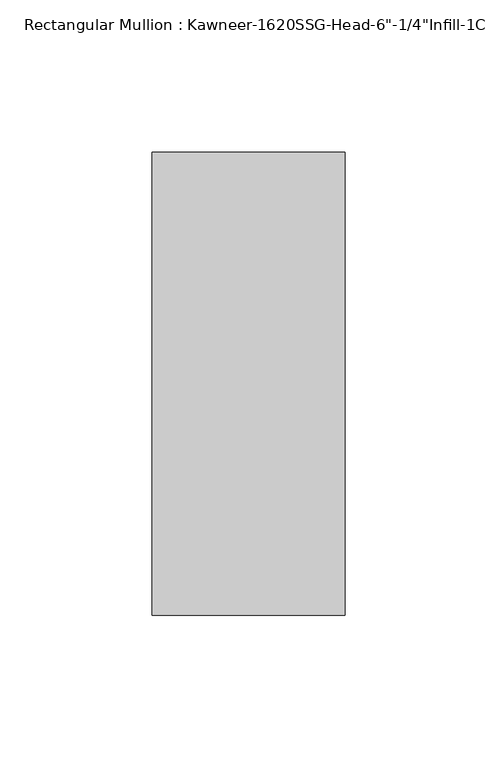
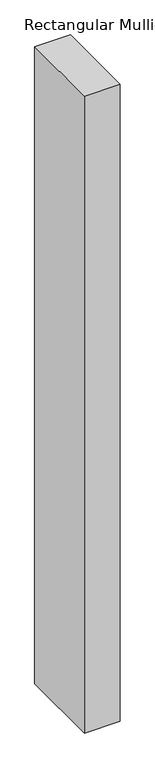
"""IFC4 building model written with IfcOpenShell, lengths in millimetres: member geometry."""

from ifc_helpers import new_model, si_unit, frame, origin, place, context, project, spatial, polyline, outline, extrude, source, transform, mapped, element, save


def member_fda18808(model_context):
    return source(origin(), model_context, "Body", "SweptSolid", [
        extrude(outline(polyline([(-63.5, 28.575), (0.0, 28.575), (0.0, -123.825), (-63.5, -123.825), (-63.5, 28.575)])), frame((0.0, 0.0, -1193.8), z_axis=(0.0, 0.0, 1.0), x_axis=(1.0, 0.0, 0.0)), (0.0, 0.0, 1.0), 1193.8),
    ])


if __name__ == "__main__":
    model = new_model("IFC4")
    model_context = context("Model", 3, world=origin())
    ifc_project = project(units=[si_unit("LENGTHUNIT", "METRE", prefix="MILLI")], contexts=[model_context])
    site = spatial("IfcSite", under=ifc_project)
    building = spatial("IfcBuilding", under=site)
    placement = place(None, origin())
    member_shape = member_fda18808(model_context)
    element("IfcMember", 1, ObjectType="Rectangular Mullion : Kawneer-1620SSG-Head-6\"-1/4\"Infill-1C", at=placement, inside=building, context=model_context, shape_type="MappedRepresentation", body=[
        mapped(member_shape, transform((0.0, 0.0, 0.0), x_axis=(1.0, 0.0, 0.0), y_axis=(0.0, 1.0, 0.0), z_axis=(0.0, 0.0, 1.0))),
    ])
    save(model, "model.ifc")
